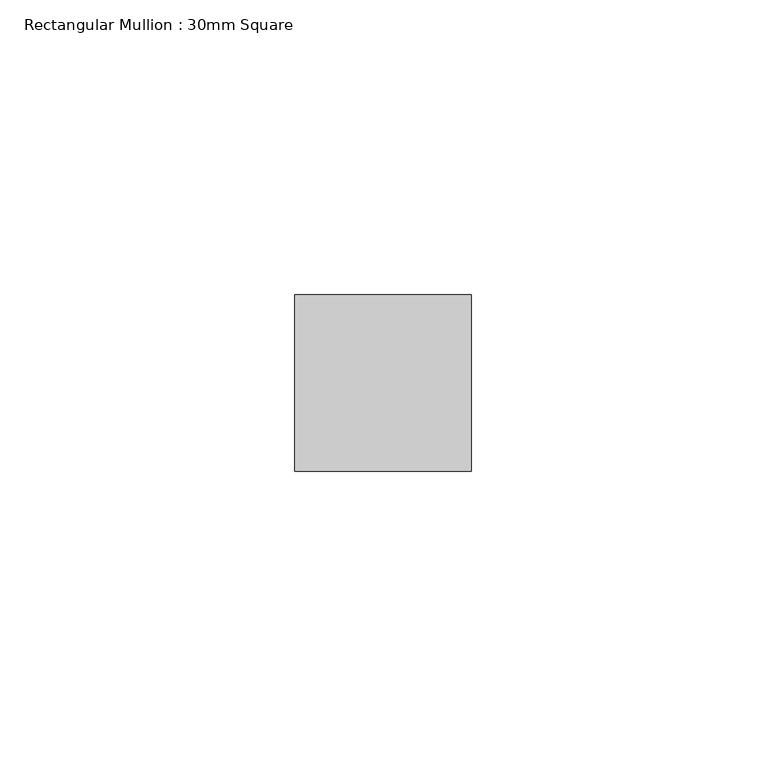
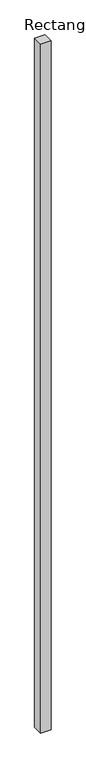
"""IFC4 building model written with IfcOpenShell, lengths in millimetres: member geometry, Rectangular Mullion : 30mm Square."""

import ifcopenshell
import ifcopenshell.guid

model = None  # the IFC model being written
_history = None  # IfcOwnerHistory: only IFC2X3 demands one
_inside = {}  # id of a spatial element -> (the spatial element, [elements in it])
_under = {}  # id of a project, library or spatial element -> (it, [spatial elements below it])
_declared = {}  # id of a project -> (the project, [libraries it declares])
_typed = {}  # id of a type object -> (the type object, [elements of that type])
_made_of = {}  # id of a material, layer set ... -> (it, [elements and type objects made of it])


def new_model(schema):
    """Start an empty IFC model of exactly this schema.

    Asked for "IFC4X3", IfcOpenShell would pick the latest addendum, in which some entities
    have other attributes; the version numbers below select the first issue.
    IFC2X3 requires an IfcOwnerHistory on every rooted entity: one is made here for all.
    """
    global model, _history
    if schema == "IFC4X3":
        model = ifcopenshell.file(schema_version=(4, 3, 0, 0))
    else:
        model = ifcopenshell.file(schema=schema)
    _inside.clear()
    _under.clear()
    _declared.clear()
    _typed.clear()
    _made_of.clear()
    _history = None
    if model.schema == "IFC2X3":
        org = make("IfcOrganization", Name="unknown")
        user = make(
            "IfcPersonAndOrganization",
            ThePerson=make("IfcPerson", FamilyName="unknown"),
            TheOrganization=org,
        )
        app = make(
            "IfcApplication",
            ApplicationDeveloper=org,
            Version="unknown",
            ApplicationFullName="unknown",
            ApplicationIdentifier="unknown",
        )
        _history = make(
            "IfcOwnerHistory",
            OwningUser=user,
            OwningApplication=app,
            ChangeAction="ADDED",
            CreationDate=0,
        )
    return model


def make(cls, **values):
    """One entity of the class cls with the attributes given. An attribute that is None is left unset."""
    return model.create_entity(
        cls, **{name: value for name, value in values.items() if value is not None}
    )


def rooted(cls, **values):
    """An entity with a GlobalId (a new one), such as an element, a storey or a relation."""
    return make(cls, GlobalId=ifcopenshell.guid.new(), OwnerHistory=_history, **values)


def si_unit(unit_type, name, prefix=None):
    """IfcSIUnit, for example si_unit("LENGTHUNIT", "METRE", prefix="MILLI")."""
    return make("IfcSIUnit", UnitType=unit_type, Prefix=prefix, Name=name)


def assignment(units):
    """IfcUnitAssignment: the units of a project."""
    return None if units is None else make("IfcUnitAssignment", Units=units)


def point(xyz):
    """IfcCartesianPoint."""
    return None if xyz is None else make("IfcCartesianPoint", Coordinates=xyz)


def direction(xyz):
    """IfcDirection."""
    return None if xyz is None else make("IfcDirection", DirectionRatios=xyz)


def frame(location, z_axis=None, x_axis=None):
    """IfcAxis2Placement3D, a coordinate frame: its origin and axes. An axis left out is left unset."""
    return make(
        "IfcAxis2Placement3D",
        Location=point(location),
        Axis=direction(z_axis),
        RefDirection=direction(x_axis),
    )


def origin():
    """The frame at (0, 0, 0) with its axes left unset."""
    return frame((0.0, 0.0, 0.0))


def place(relative_to, where):
    """IfcLocalPlacement: puts the frame where relative to a parent placement (None: the world)."""
    return make(
        "IfcLocalPlacement", PlacementRelTo=relative_to, RelativePlacement=where
    )


def context(
    kind, dimensions, precision=None, world=None, true_north=None, identifier=None
):
    """IfcGeometricRepresentationContext, for example the 3D "Model" context."""
    return make(
        "IfcGeometricRepresentationContext",
        ContextIdentifier=identifier,
        ContextType=kind,
        CoordinateSpaceDimension=dimensions,
        Precision=precision,
        WorldCoordinateSystem=world,
        TrueNorth=true_north,
    )


def project(units=None, contexts=None):
    """IfcProject with its units and contexts."""
    return rooted(
        "IfcProject",
        Name="project",
        RepresentationContexts=contexts,
        UnitsInContext=assignment(units),
    )


def spatial(cls, under=None, at=None, **own):
    """A site, building, storey or space (cls), placed at a placement, below another one or the project."""
    s = rooted(cls, ObjectPlacement=at, **own)
    if under is not None:
        _under.setdefault(under.id(), (under, []))[1].append(s)
    return s


def polyline(points):
    """IfcPolyline through the points."""
    return make("IfcPolyline", Points=[point(p) for p in points])


def outline(outer, holes=None, kind="AREA"):
    """IfcArbitraryClosedProfileDef: a profile drawn as a closed curve; with holes, ...WithVoids."""
    if holes is None:
        return make("IfcArbitraryClosedProfileDef", ProfileType=kind, OuterCurve=outer)
    return make(
        "IfcArbitraryProfileDefWithVoids",
        ProfileType=kind,
        OuterCurve=outer,
        InnerCurves=holes,
    )


def extrude(swept, where, along, depth):
    """IfcExtrudedAreaSolid: the profile swept, set in the frame where, extruded along a direction by depth."""
    return make(
        "IfcExtrudedAreaSolid",
        SweptArea=swept,
        Position=where,
        ExtrudedDirection=direction(along),
        Depth=depth,
    )


def shape(context_of_items, identifier, shape_type, items):
    """IfcShapeRepresentation: the items that make up one representation, for example the "Body"."""
    return make(
        "IfcShapeRepresentation",
        ContextOfItems=context_of_items,
        RepresentationIdentifier=identifier,
        RepresentationType=shape_type,
        Items=items,
    )


def source(mapping_origin, context_of_items, identifier, shape_type, items):
    """IfcRepresentationMap: a shape defined once, which mapped items show again and again."""
    return make(
        "IfcRepresentationMap",
        MappingOrigin=mapping_origin,
        MappedRepresentation=shape(context_of_items, identifier, shape_type, items),
    )


def transform(
    local_origin,
    x_axis=None,
    y_axis=None,
    z_axis=None,
    scale=None,
    scale2=None,
    scale3=None,
    uniform=True,
):
    """IfcCartesianTransformationOperator3D, or its non-uniform kind. x_axis, y_axis, z_axis: its Axis1, 2, 3."""
    if uniform:
        return make(
            "IfcCartesianTransformationOperator3D",
            Axis1=direction(x_axis),
            Axis2=direction(y_axis),
            LocalOrigin=point(local_origin),
            Scale=scale,
            Axis3=direction(z_axis),
        )
    return make(
        "IfcCartesianTransformationOperator3DnonUniform",
        Axis1=direction(x_axis),
        Axis2=direction(y_axis),
        LocalOrigin=point(local_origin),
        Scale=scale,
        Axis3=direction(z_axis),
        Scale2=scale2,
        Scale3=scale3,
    )


def mapped(mapping_source, mapping_target):
    """IfcMappedItem: shows the shape of a source again, moved by a transform."""
    return make(
        "IfcMappedItem", MappingSource=mapping_source, MappingTarget=mapping_target
    )


def made_of(thing, what):
    """Note that an element or type object is made of a material, layer set ...; save() writes the relation."""
    if what is not None:
        _made_of.setdefault(what.id(), (what, []))[1].append(thing)
    return thing


def element(
    cls,
    number,
    at=None,
    inside=None,
    cuts=None,
    type_object=None,
    material=None,
    context=None,
    identifier="Body",
    shape_type=None,
    held_by="IfcProductDefinitionShape",
    body=None,
    shapes=None,
    **own,
):
    """One element of the class cls, such as IfcWall. Its Tag is "e" and its number.

    at: its placement. inside: the storey or other place that contains it. cuts: it is an
    opening in that element (IfcRelVoidsElement). A single representation is given by context,
    identifier, shape_type and body (its items); several are given by shapes. held_by: the class
    of the entity that holds the representations. save() writes the other relations.
    """
    e = rooted(cls, Tag="e%d" % number, ObjectPlacement=at, **own)
    if body is not None:
        shapes = [shape(context, identifier, shape_type, body)]
    if shapes is not None:
        e.Representation = make(held_by, Representations=shapes)
    if inside is not None:
        _inside.setdefault(inside.id(), (inside, []))[1].append(e)
    if cuts is not None:
        rooted(
            "IfcRelVoidsElement", RelatingBuildingElement=cuts, RelatedOpeningElement=e
        )
    if type_object is not None:
        _typed.setdefault(type_object.id(), (type_object, []))[1].append(e)
    return made_of(e, material)


def aggregate(whole, parts):
    """IfcRelAggregates: a whole, such as a stair, and the parts it consists of."""
    return rooted("IfcRelAggregates", RelatingObject=whole, RelatedObjects=parts)


def save(model, path):
    """Write the relations noted so far, then the file.

    IfcRelAggregates (storeys below a building ...), IfcRelContainedInSpatialStructure (elements
    in a storey), IfcRelDefinesByType, IfcRelAssociatesMaterial and IfcRelDeclares: one each for
    every whole, place, type object, material and project.
    """
    for whole, parts in _under.values():
        aggregate(whole, parts)
    for where, things in _inside.values():
        rooted(
            "IfcRelContainedInSpatialStructure",
            RelatedElements=things,
            RelatingStructure=where,
        )
    for kind, things in _typed.values():
        rooted("IfcRelDefinesByType", RelatedObjects=things, RelatingType=kind)
    for what, things in _made_of.values():
        rooted("IfcRelAssociatesMaterial", RelatedObjects=things, RelatingMaterial=what)
    for by, libraries in _declared.values():
        rooted("IfcRelDeclares", RelatingContext=by, RelatedDefinitions=libraries)
    model.write(path)


def rectangular_mullion_30mm_square_621b8ef4(model_context):
    return source(origin(), model_context, "Body", "SweptSolid", [
        extrude(outline(polyline([(15.0, 15.0), (15.0, -15.0), (-15.0, -15.0), (-15.0, 15.0), (15.0, 15.0)])), frame((0.0, 0.0, -2085.8130619), z_axis=(0.0, 0.0, 1.0), x_axis=(1.0, 0.0, 0.0)), (0.0, 0.0, 1.0), 2085.8130619),
    ])


if __name__ == "__main__":
    model = new_model("IFC4")
    model_context = context("Model", 3, world=origin())
    ifc_project = project(units=[si_unit("LENGTHUNIT", "METRE", prefix="MILLI")], contexts=[model_context])
    site = spatial("IfcSite", under=ifc_project)
    building = spatial("IfcBuilding", under=site)
    placement = place(None, origin())
    rectangular_mullion_30mm_square_shape = rectangular_mullion_30mm_square_621b8ef4(model_context)
    element("IfcMember", 1, ObjectType="Rectangular Mullion : 30mm Square", at=placement, inside=building, context=model_context, shape_type="MappedRepresentation", body=[
        mapped(rectangular_mullion_30mm_square_shape, transform((0.0, 0.0, 0.0), x_axis=(1.0, 0.0, 0.0), y_axis=(0.0, 1.0, 0.0), z_axis=(0.0, 0.0, 1.0))),
    ])
    save(model, "model.ifc")
